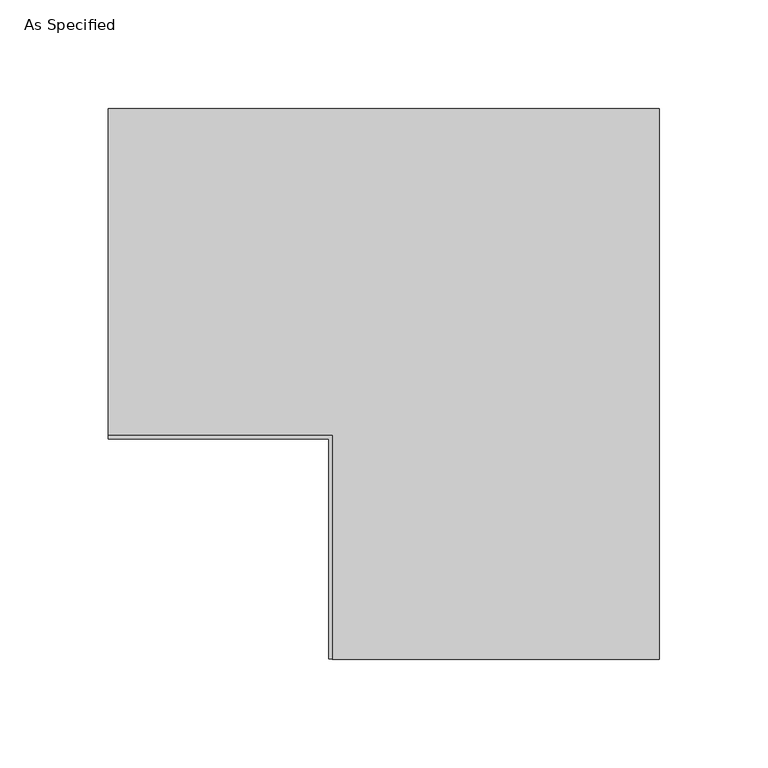
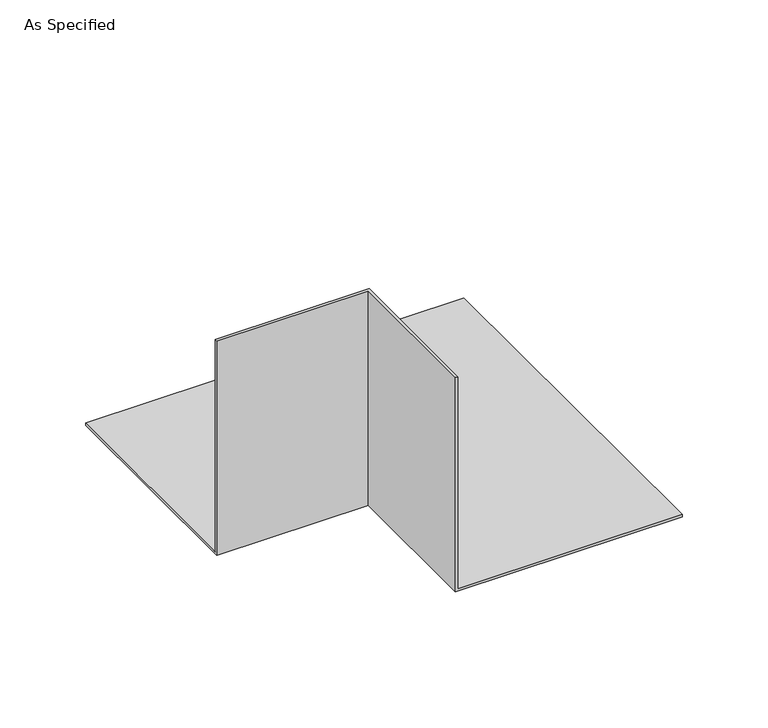
"""IFC4 building model written with IfcOpenShell, lengths in millimetres: proxy geometry, As Specified."""

from ifc_helpers import new_model, si_unit, origin, place, context, project, spatial, faceted_brep, source, transform, mapped, element, save


def as_specified_5312fad1(model_context):
    return source(origin(), model_context, "Body", "Brep", [
        faceted_brep([(152.4, -101.6, 0.0), (152.4, -101.6, 1.5875), (1.5875, -101.6, 1.5875), (1.5875, -101.6, 152.4), (0.0, -101.6, 152.4), (0.0, -101.6, 0.0), (1.5875, 1.5875, 1.5875), (1.5875, 1.5875, 152.4), (-101.6, 1.5875, 152.4), (-101.6, 0.0, 152.4), (0.0, 0.0, 152.4), (0.0, 0.0, 0.0), (-101.6, 0.0, 0.0), (-101.6, 152.4, 0.0), (152.4, 152.4, 0.0), (-101.6, 1.5875, 1.5875), (-101.6, 152.4, 1.5875), (152.4, 152.4, 1.5875)], [[[0, 1, 2, 3, 4, 5]], [[3, 2, 6, 7]], [[4, 3, 7, 8, 9, 10]], [[5, 4, 10, 11]], [[0, 5, 11, 12, 13, 14]], [[13, 12, 9, 8, 15, 16]], [[7, 6, 15, 8]], [[11, 10, 9, 12]], [[1, 0, 14, 17]], [[2, 1, 17, 16, 15, 6]], [[17, 14, 13, 16]]]),
    ])


if __name__ == "__main__":
    model = new_model("IFC4")
    model_context = context("Model", 3, world=origin())
    ifc_project = project(units=[si_unit("LENGTHUNIT", "METRE", prefix="MILLI")], contexts=[model_context])
    site = spatial("IfcSite", under=ifc_project)
    building = spatial("IfcBuilding", under=site)
    placement = place(None, origin())
    as_specified_shape = as_specified_5312fad1(model_context)
    element("IfcBuildingElementProxy", 1, Name="As Specified", ObjectType="As Specified", at=placement, inside=building, context=model_context, shape_type="MappedRepresentation", body=[
        mapped(as_specified_shape, transform((0.0, 0.0, 0.0), x_axis=(1.0, 0.0, 0.0), y_axis=(0.0, 1.0, 0.0), z_axis=(0.0, 0.0, 1.0))),
    ])
    save(model, "model.ifc")
